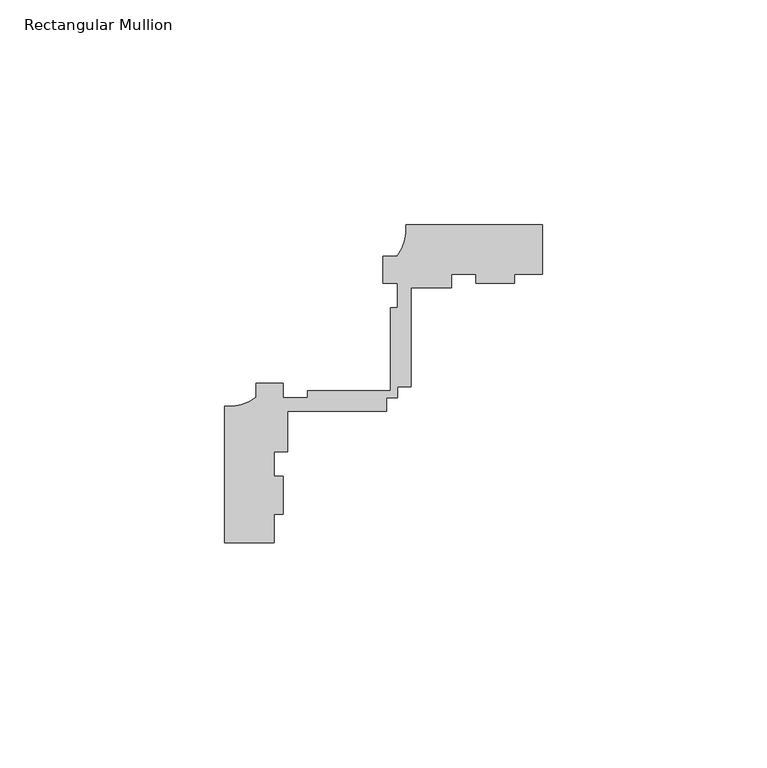
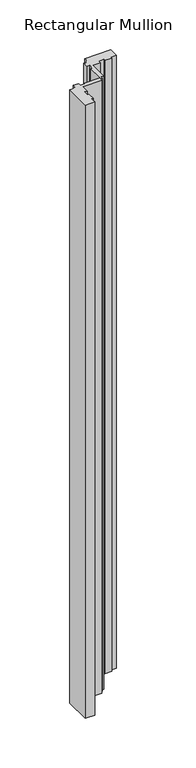
"""IFC4 building model written with IfcOpenShell, lengths in millimetres: member geometry, Rectangular Mullion."""

import ifcopenshell
import ifcopenshell.guid

model = None  # the IFC model being written
_history = None  # IfcOwnerHistory: only IFC2X3 demands one
_inside = {}  # id of a spatial element -> (the spatial element, [elements in it])
_under = {}  # id of a project, library or spatial element -> (it, [spatial elements below it])
_declared = {}  # id of a project -> (the project, [libraries it declares])
_typed = {}  # id of a type object -> (the type object, [elements of that type])
_made_of = {}  # id of a material, layer set ... -> (it, [elements and type objects made of it])


def new_model(schema):
    """Start an empty IFC model of exactly this schema.

    Asked for "IFC4X3", IfcOpenShell would pick the latest addendum, in which some entities
    have other attributes; the version numbers below select the first issue.
    IFC2X3 requires an IfcOwnerHistory on every rooted entity: one is made here for all.
    """
    global model, _history
    if schema == "IFC4X3":
        model = ifcopenshell.file(schema_version=(4, 3, 0, 0))
    else:
        model = ifcopenshell.file(schema=schema)
    _inside.clear()
    _under.clear()
    _declared.clear()
    _typed.clear()
    _made_of.clear()
    _history = None
    if model.schema == "IFC2X3":
        org = make("IfcOrganization", Name="unknown")
        user = make(
            "IfcPersonAndOrganization",
            ThePerson=make("IfcPerson", FamilyName="unknown"),
            TheOrganization=org,
        )
        app = make(
            "IfcApplication",
            ApplicationDeveloper=org,
            Version="unknown",
            ApplicationFullName="unknown",
            ApplicationIdentifier="unknown",
        )
        _history = make(
            "IfcOwnerHistory",
            OwningUser=user,
            OwningApplication=app,
            ChangeAction="ADDED",
            CreationDate=0,
        )
    return model


def make(cls, **values):
    """One entity of the class cls with the attributes given. An attribute that is None is left unset."""
    return model.create_entity(
        cls, **{name: value for name, value in values.items() if value is not None}
    )


def rooted(cls, **values):
    """An entity with a GlobalId (a new one), such as an element, a storey or a relation."""
    return make(cls, GlobalId=ifcopenshell.guid.new(), OwnerHistory=_history, **values)


def si_unit(unit_type, name, prefix=None):
    """IfcSIUnit, for example si_unit("LENGTHUNIT", "METRE", prefix="MILLI")."""
    return make("IfcSIUnit", UnitType=unit_type, Prefix=prefix, Name=name)


def assignment(units):
    """IfcUnitAssignment: the units of a project."""
    return None if units is None else make("IfcUnitAssignment", Units=units)


def point(xyz):
    """IfcCartesianPoint."""
    return None if xyz is None else make("IfcCartesianPoint", Coordinates=xyz)


def direction(xyz):
    """IfcDirection."""
    return None if xyz is None else make("IfcDirection", DirectionRatios=xyz)


def frame(location, z_axis=None, x_axis=None):
    """IfcAxis2Placement3D, a coordinate frame: its origin and axes. An axis left out is left unset."""
    return make(
        "IfcAxis2Placement3D",
        Location=point(location),
        Axis=direction(z_axis),
        RefDirection=direction(x_axis),
    )


def frame_2d(location, x_axis=None):
    """IfcAxis2Placement2D, a coordinate frame in the plane: its origin and x axis."""
    return make(
        "IfcAxis2Placement2D", Location=point(location), RefDirection=direction(x_axis)
    )


def origin():
    """The frame at (0, 0, 0) with its axes left unset."""
    return frame((0.0, 0.0, 0.0))


def place(relative_to, where):
    """IfcLocalPlacement: puts the frame where relative to a parent placement (None: the world)."""
    return make(
        "IfcLocalPlacement", PlacementRelTo=relative_to, RelativePlacement=where
    )


def context(
    kind, dimensions, precision=None, world=None, true_north=None, identifier=None
):
    """IfcGeometricRepresentationContext, for example the 3D "Model" context."""
    return make(
        "IfcGeometricRepresentationContext",
        ContextIdentifier=identifier,
        ContextType=kind,
        CoordinateSpaceDimension=dimensions,
        Precision=precision,
        WorldCoordinateSystem=world,
        TrueNorth=true_north,
    )


def project(units=None, contexts=None):
    """IfcProject with its units and contexts."""
    return rooted(
        "IfcProject",
        Name="project",
        RepresentationContexts=contexts,
        UnitsInContext=assignment(units),
    )


def spatial(cls, under=None, at=None, **own):
    """A site, building, storey or space (cls), placed at a placement, below another one or the project."""
    s = rooted(cls, ObjectPlacement=at, **own)
    if under is not None:
        _under.setdefault(under.id(), (under, []))[1].append(s)
    return s


def polyline(points):
    """IfcPolyline through the points."""
    return make("IfcPolyline", Points=[point(p) for p in points])


def circle_curve(where, radius):
    """IfcCircle in the frame where."""
    return make("IfcCircle", Position=where, Radius=radius)


def trimmed(basis, trim1, trim2, sense, master):
    """IfcTrimmedCurve: the piece of a basis curve between two trims."""
    return make(
        "IfcTrimmedCurve",
        BasisCurve=basis,
        Trim1=trim1,
        Trim2=trim2,
        SenseAgreement=sense,
        MasterRepresentation=master,
    )


def segment(curve, same_sense, transition):
    """IfcCompositeCurveSegment."""
    return make(
        "IfcCompositeCurveSegment",
        Transition=transition,
        SameSense=same_sense,
        ParentCurve=curve,
    )


def composite_curve(segments, self_intersect=None):
    """IfcCompositeCurve: segments joined end to end."""
    return make("IfcCompositeCurve", Segments=segments, SelfIntersect=self_intersect)


def outline(outer, holes=None, kind="AREA"):
    """IfcArbitraryClosedProfileDef: a profile drawn as a closed curve; with holes, ...WithVoids."""
    if holes is None:
        return make("IfcArbitraryClosedProfileDef", ProfileType=kind, OuterCurve=outer)
    return make(
        "IfcArbitraryProfileDefWithVoids",
        ProfileType=kind,
        OuterCurve=outer,
        InnerCurves=holes,
    )


def extrude(swept, where, along, depth):
    """IfcExtrudedAreaSolid: the profile swept, set in the frame where, extruded along a direction by depth."""
    return make(
        "IfcExtrudedAreaSolid",
        SweptArea=swept,
        Position=where,
        ExtrudedDirection=direction(along),
        Depth=depth,
    )


def shape(context_of_items, identifier, shape_type, items):
    """IfcShapeRepresentation: the items that make up one representation, for example the "Body"."""
    return make(
        "IfcShapeRepresentation",
        ContextOfItems=context_of_items,
        RepresentationIdentifier=identifier,
        RepresentationType=shape_type,
        Items=items,
    )


def source(mapping_origin, context_of_items, identifier, shape_type, items):
    """IfcRepresentationMap: a shape defined once, which mapped items show again and again."""
    return make(
        "IfcRepresentationMap",
        MappingOrigin=mapping_origin,
        MappedRepresentation=shape(context_of_items, identifier, shape_type, items),
    )


def transform(
    local_origin,
    x_axis=None,
    y_axis=None,
    z_axis=None,
    scale=None,
    scale2=None,
    scale3=None,
    uniform=True,
):
    """IfcCartesianTransformationOperator3D, or its non-uniform kind. x_axis, y_axis, z_axis: its Axis1, 2, 3."""
    if uniform:
        return make(
            "IfcCartesianTransformationOperator3D",
            Axis1=direction(x_axis),
            Axis2=direction(y_axis),
            LocalOrigin=point(local_origin),
            Scale=scale,
            Axis3=direction(z_axis),
        )
    return make(
        "IfcCartesianTransformationOperator3DnonUniform",
        Axis1=direction(x_axis),
        Axis2=direction(y_axis),
        LocalOrigin=point(local_origin),
        Scale=scale,
        Axis3=direction(z_axis),
        Scale2=scale2,
        Scale3=scale3,
    )


def mapped(mapping_source, mapping_target):
    """IfcMappedItem: shows the shape of a source again, moved by a transform."""
    return make(
        "IfcMappedItem", MappingSource=mapping_source, MappingTarget=mapping_target
    )


def made_of(thing, what):
    """Note that an element or type object is made of a material, layer set ...; save() writes the relation."""
    if what is not None:
        _made_of.setdefault(what.id(), (what, []))[1].append(thing)
    return thing


def element(
    cls,
    number,
    at=None,
    inside=None,
    cuts=None,
    type_object=None,
    material=None,
    context=None,
    identifier="Body",
    shape_type=None,
    held_by="IfcProductDefinitionShape",
    body=None,
    shapes=None,
    **own,
):
    """One element of the class cls, such as IfcWall. Its Tag is "e" and its number.

    at: its placement. inside: the storey or other place that contains it. cuts: it is an
    opening in that element (IfcRelVoidsElement). A single representation is given by context,
    identifier, shape_type and body (its items); several are given by shapes. held_by: the class
    of the entity that holds the representations. save() writes the other relations.
    """
    e = rooted(cls, Tag="e%d" % number, ObjectPlacement=at, **own)
    if body is not None:
        shapes = [shape(context, identifier, shape_type, body)]
    if shapes is not None:
        e.Representation = make(held_by, Representations=shapes)
    if inside is not None:
        _inside.setdefault(inside.id(), (inside, []))[1].append(e)
    if cuts is not None:
        rooted(
            "IfcRelVoidsElement", RelatingBuildingElement=cuts, RelatedOpeningElement=e
        )
    if type_object is not None:
        _typed.setdefault(type_object.id(), (type_object, []))[1].append(e)
    return made_of(e, material)


def aggregate(whole, parts):
    """IfcRelAggregates: a whole, such as a stair, and the parts it consists of."""
    return rooted("IfcRelAggregates", RelatingObject=whole, RelatedObjects=parts)


def save(model, path):
    """Write the relations noted so far, then the file.

    IfcRelAggregates (storeys below a building ...), IfcRelContainedInSpatialStructure (elements
    in a storey), IfcRelDefinesByType, IfcRelAssociatesMaterial and IfcRelDeclares: one each for
    every whole, place, type object, material and project.
    """
    for whole, parts in _under.values():
        aggregate(whole, parts)
    for where, things in _inside.values():
        rooted(
            "IfcRelContainedInSpatialStructure",
            RelatedElements=things,
            RelatingStructure=where,
        )
    for kind, things in _typed.values():
        rooted("IfcRelDefinesByType", RelatedObjects=things, RelatingType=kind)
    for what, things in _made_of.values():
        rooted("IfcRelAssociatesMaterial", RelatedObjects=things, RelatingMaterial=what)
    for by, libraries in _declared.values():
        rooted("IfcRelDeclares", RelatingContext=by, RelatedDefinitions=libraries)
    model.write(path)


def rectangular_mullion_c630378d(model_context):
    return source(origin(), model_context, "Body", "SweptSolid", [
        extrude(outline(composite_curve([segment(polyline([(-59.6999694, -14.9961656), (-70.6999537, -14.9961656), (-70.6999537, 15.3835857)]), True, "CONTINUOUS"), segment(trimmed(circle_curve(frame_2d((-69.8097713, 25.8020156)), 10.4563907), [point((-70.6999537, 15.3835857))], [point((-63.6999537, 17.3163669))], True, "CARTESIAN"), True, "CONTINUOUS"), segment(polyline([(-63.6999537, 17.3163669), (-63.6999537, 20.5038344), (-57.699937, 20.5038344), (-57.699937, 17.2186203), (-52.2108408, 17.2186203), (-52.2108408, 18.8186203), (-33.8147859, 18.8186203), (-33.8147859, 37.2186203), (-32.2147859, 37.2186203), (-32.2147859, 42.703773), (-35.5, 42.703773), (-35.5, 48.7038038), (-32.3125212, 48.7038038)]), True, "CONTINUOUS"), segment(trimmed(circle_curve(frame_2d((-40.7981812, 54.8136057)), 10.4563907), [point((-32.3125212, 48.7038038))], [point((-30.3797514, 55.703788))], True, "CARTESIAN"), True, "CONTINUOUS"), segment(polyline([(-30.3797514, 55.703788), (0.0, 55.703788), (0.0, 44.7038038), (-6.2499874, 44.7038038), (-6.2499874, 42.703773), (-14.7499877, 42.703773), (-14.7499877, 44.7038038), (-20.2147859, 44.7038038), (-20.2147859, 41.6998587), (-29.2147859, 41.6998587), (-29.2147859, 19.6998587), (-32.2147859, 19.6998587), (-32.2147859, 17.2186203), (-34.6960243, 17.2186203), (-34.6960243, 14.2186203), (-56.6960243, 14.2186203), (-56.6960243, 5.2186203), (-59.6999694, 5.2186203), (-59.6999694, -0.246178), (-57.699937, -0.246178), (-57.699937, -8.7363231), (-59.6999694, -8.7363231), (-59.6999694, -14.9961656)]), True, "CONTINUOUS")], self_intersect=False)), frame((0.0, 0.0, -751.0229426), z_axis=(0.0, 0.0, 1.0), x_axis=(1.0, 0.0, 0.0)), (0.0, 0.0, 1.0), 751.0229426),
    ])


if __name__ == "__main__":
    model = new_model("IFC4")
    model_context = context("Model", 3, world=origin())
    ifc_project = project(units=[si_unit("LENGTHUNIT", "METRE", prefix="MILLI")], contexts=[model_context])
    site = spatial("IfcSite", under=ifc_project)
    building = spatial("IfcBuilding", under=site)
    placement = place(None, origin())
    rectangular_mullion_shape = rectangular_mullion_c630378d(model_context)
    element("IfcMember", 1, ObjectType="Rectangular Mullion", at=placement, inside=building, context=model_context, shape_type="MappedRepresentation", body=[
        mapped(rectangular_mullion_shape, transform((0.0, 0.0, 0.0), x_axis=(1.0, 0.0, 0.0), y_axis=(0.0, 1.0, 0.0), z_axis=(0.0, 0.0, 1.0))),
    ])
    save(model, "model.ifc")
